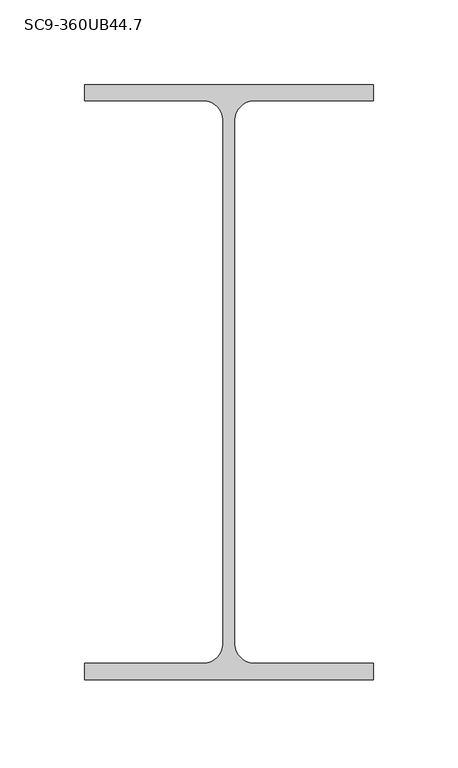
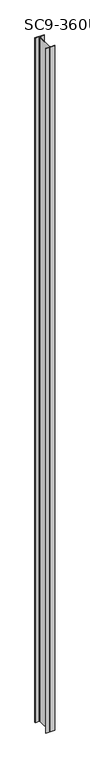
"""IFC4 building model written with IfcOpenShell, lengths in millimetres: column geometry, SC9-360UB44.7."""

from ifc_helpers import new_model, si_unit, point, frame, frame_2d, origin, place, context, project, spatial, polyline, circle_curve, trimmed, segment, composite_curve, outline, extrude, source, transform, mapped, element, save


def sc9_360ub44_7_c4092eba(model_context):
    return source(origin(), model_context, "Body", "SweptSolid", [
        extrude(outline(composite_curve([segment(polyline([(85.5, -176.0), (-85.5, -176.0), (-85.5, -166.3), (-14.85, -166.3)]), True, "CONTINUOUS"), segment(trimmed(circle_curve(frame_2d((-14.85, -154.9)), 11.4), [point((-14.85, -166.3))], [point((-3.45, -154.9))], True, "CARTESIAN"), True, "CONTINUOUS"), segment(polyline([(-3.45, -154.9), (-3.45, 154.9)]), True, "CONTINUOUS"), segment(trimmed(circle_curve(frame_2d((-14.85, 154.9)), 11.4), [point((-3.45, 154.9))], [point((-14.85, 166.3))], True, "CARTESIAN"), True, "CONTINUOUS"), segment(polyline([(-14.85, 166.3), (-85.5, 166.3), (-85.5, 176.0), (85.5, 176.0), (85.5, 166.3), (14.85, 166.3)]), True, "CONTINUOUS"), segment(trimmed(circle_curve(frame_2d((14.85, 154.9)), 11.4), [point((14.85, 166.3))], [point((3.45, 154.9))], True, "CARTESIAN"), True, "CONTINUOUS"), segment(polyline([(3.45, 154.9), (3.45, -154.9)]), True, "CONTINUOUS"), segment(trimmed(circle_curve(frame_2d((14.85, -154.9)), 11.4), [point((3.45, -154.9))], [point((14.85, -166.3))], True, "CARTESIAN"), True, "CONTINUOUS"), segment(polyline([(14.85, -166.3), (85.5, -166.3), (85.5, -176.0)]), True, "CONTINUOUS")], self_intersect=False)), frame((0.0, 0.0, 46800.0), z_axis=(0.0, 0.0, 1.0), x_axis=(1.0, 0.0, 0.0)), (0.0, 0.0, 1.0), 13477.0),
    ])


if __name__ == "__main__":
    model = new_model("IFC4")
    model_context = context("Model", 3, world=origin())
    ifc_project = project(units=[si_unit("LENGTHUNIT", "METRE", prefix="MILLI")], contexts=[model_context])
    site = spatial("IfcSite", under=ifc_project)
    building = spatial("IfcBuilding", under=site)
    placement = place(None, origin())
    sc9_360ub44_7_shape = sc9_360ub44_7_c4092eba(model_context)
    element("IfcColumn", 1, ObjectType="SC9-360UB44.7", at=placement, inside=building, context=model_context, shape_type="MappedRepresentation", body=[
        mapped(sc9_360ub44_7_shape, transform((0.0, 0.0, 0.0), x_axis=(1.0, 0.0, 0.0), y_axis=(0.0, 1.0, 0.0), z_axis=(0.0, 0.0, 1.0))),
    ])
    save(model, "model.ifc")
